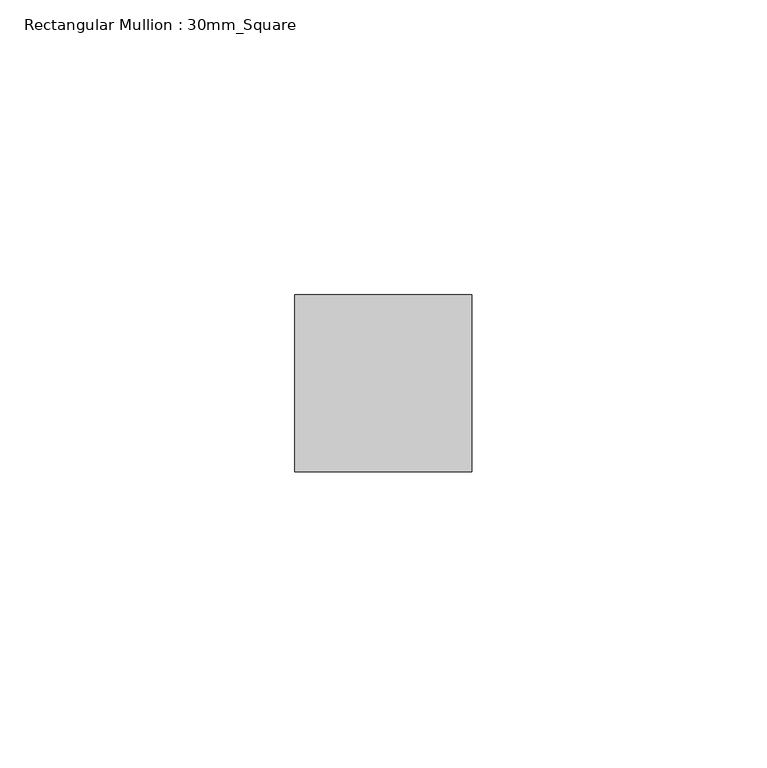
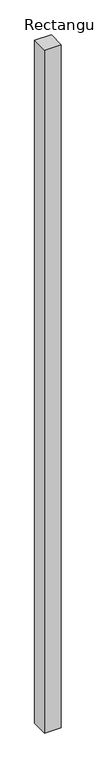
"""IFC4 building model written with IfcOpenShell, lengths in millimetres: member geometry, Rectangular Mullion : 30mm_Square."""

import ifcopenshell
import ifcopenshell.guid

model = None  # the IFC model being written
_history = None  # IfcOwnerHistory: only IFC2X3 demands one
_inside = {}  # id of a spatial element -> (the spatial element, [elements in it])
_under = {}  # id of a project, library or spatial element -> (it, [spatial elements below it])
_declared = {}  # id of a project -> (the project, [libraries it declares])
_typed = {}  # id of a type object -> (the type object, [elements of that type])
_made_of = {}  # id of a material, layer set ... -> (it, [elements and type objects made of it])


def new_model(schema):
    """Start an empty IFC model of exactly this schema.

    Asked for "IFC4X3", IfcOpenShell would pick the latest addendum, in which some entities
    have other attributes; the version numbers below select the first issue.
    IFC2X3 requires an IfcOwnerHistory on every rooted entity: one is made here for all.
    """
    global model, _history
    if schema == "IFC4X3":
        model = ifcopenshell.file(schema_version=(4, 3, 0, 0))
    else:
        model = ifcopenshell.file(schema=schema)
    _inside.clear()
    _under.clear()
    _declared.clear()
    _typed.clear()
    _made_of.clear()
    _history = None
    if model.schema == "IFC2X3":
        org = make("IfcOrganization", Name="unknown")
        user = make(
            "IfcPersonAndOrganization",
            ThePerson=make("IfcPerson", FamilyName="unknown"),
            TheOrganization=org,
        )
        app = make(
            "IfcApplication",
            ApplicationDeveloper=org,
            Version="unknown",
            ApplicationFullName="unknown",
            ApplicationIdentifier="unknown",
        )
        _history = make(
            "IfcOwnerHistory",
            OwningUser=user,
            OwningApplication=app,
            ChangeAction="ADDED",
            CreationDate=0,
        )
    return model


def make(cls, **values):
    """One entity of the class cls with the attributes given. An attribute that is None is left unset."""
    return model.create_entity(
        cls, **{name: value for name, value in values.items() if value is not None}
    )


def rooted(cls, **values):
    """An entity with a GlobalId (a new one), such as an element, a storey or a relation."""
    return make(cls, GlobalId=ifcopenshell.guid.new(), OwnerHistory=_history, **values)


def si_unit(unit_type, name, prefix=None):
    """IfcSIUnit, for example si_unit("LENGTHUNIT", "METRE", prefix="MILLI")."""
    return make("IfcSIUnit", UnitType=unit_type, Prefix=prefix, Name=name)


def assignment(units):
    """IfcUnitAssignment: the units of a project."""
    return None if units is None else make("IfcUnitAssignment", Units=units)


def point(xyz):
    """IfcCartesianPoint."""
    return None if xyz is None else make("IfcCartesianPoint", Coordinates=xyz)


def direction(xyz):
    """IfcDirection."""
    return None if xyz is None else make("IfcDirection", DirectionRatios=xyz)


def frame(location, z_axis=None, x_axis=None):
    """IfcAxis2Placement3D, a coordinate frame: its origin and axes. An axis left out is left unset."""
    return make(
        "IfcAxis2Placement3D",
        Location=point(location),
        Axis=direction(z_axis),
        RefDirection=direction(x_axis),
    )


def origin():
    """The frame at (0, 0, 0) with its axes left unset."""
    return frame((0.0, 0.0, 0.0))


def place(relative_to, where):
    """IfcLocalPlacement: puts the frame where relative to a parent placement (None: the world)."""
    return make(
        "IfcLocalPlacement", PlacementRelTo=relative_to, RelativePlacement=where
    )


def context(
    kind, dimensions, precision=None, world=None, true_north=None, identifier=None
):
    """IfcGeometricRepresentationContext, for example the 3D "Model" context."""
    return make(
        "IfcGeometricRepresentationContext",
        ContextIdentifier=identifier,
        ContextType=kind,
        CoordinateSpaceDimension=dimensions,
        Precision=precision,
        WorldCoordinateSystem=world,
        TrueNorth=true_north,
    )


def project(units=None, contexts=None):
    """IfcProject with its units and contexts."""
    return rooted(
        "IfcProject",
        Name="project",
        RepresentationContexts=contexts,
        UnitsInContext=assignment(units),
    )


def spatial(cls, under=None, at=None, **own):
    """A site, building, storey or space (cls), placed at a placement, below another one or the project."""
    s = rooted(cls, ObjectPlacement=at, **own)
    if under is not None:
        _under.setdefault(under.id(), (under, []))[1].append(s)
    return s


def polyline(points):
    """IfcPolyline through the points."""
    return make("IfcPolyline", Points=[point(p) for p in points])


def outline(outer, holes=None, kind="AREA"):
    """IfcArbitraryClosedProfileDef: a profile drawn as a closed curve; with holes, ...WithVoids."""
    if holes is None:
        return make("IfcArbitraryClosedProfileDef", ProfileType=kind, OuterCurve=outer)
    return make(
        "IfcArbitraryProfileDefWithVoids",
        ProfileType=kind,
        OuterCurve=outer,
        InnerCurves=holes,
    )


def extrude(swept, where, along, depth):
    """IfcExtrudedAreaSolid: the profile swept, set in the frame where, extruded along a direction by depth."""
    return make(
        "IfcExtrudedAreaSolid",
        SweptArea=swept,
        Position=where,
        ExtrudedDirection=direction(along),
        Depth=depth,
    )


def shape(context_of_items, identifier, shape_type, items):
    """IfcShapeRepresentation: the items that make up one representation, for example the "Body"."""
    return make(
        "IfcShapeRepresentation",
        ContextOfItems=context_of_items,
        RepresentationIdentifier=identifier,
        RepresentationType=shape_type,
        Items=items,
    )


def source(mapping_origin, context_of_items, identifier, shape_type, items):
    """IfcRepresentationMap: a shape defined once, which mapped items show again and again."""
    return make(
        "IfcRepresentationMap",
        MappingOrigin=mapping_origin,
        MappedRepresentation=shape(context_of_items, identifier, shape_type, items),
    )


def transform(
    local_origin,
    x_axis=None,
    y_axis=None,
    z_axis=None,
    scale=None,
    scale2=None,
    scale3=None,
    uniform=True,
):
    """IfcCartesianTransformationOperator3D, or its non-uniform kind. x_axis, y_axis, z_axis: its Axis1, 2, 3."""
    if uniform:
        return make(
            "IfcCartesianTransformationOperator3D",
            Axis1=direction(x_axis),
            Axis2=direction(y_axis),
            LocalOrigin=point(local_origin),
            Scale=scale,
            Axis3=direction(z_axis),
        )
    return make(
        "IfcCartesianTransformationOperator3DnonUniform",
        Axis1=direction(x_axis),
        Axis2=direction(y_axis),
        LocalOrigin=point(local_origin),
        Scale=scale,
        Axis3=direction(z_axis),
        Scale2=scale2,
        Scale3=scale3,
    )


def mapped(mapping_source, mapping_target):
    """IfcMappedItem: shows the shape of a source again, moved by a transform."""
    return make(
        "IfcMappedItem", MappingSource=mapping_source, MappingTarget=mapping_target
    )


def made_of(thing, what):
    """Note that an element or type object is made of a material, layer set ...; save() writes the relation."""
    if what is not None:
        _made_of.setdefault(what.id(), (what, []))[1].append(thing)
    return thing


def element(
    cls,
    number,
    at=None,
    inside=None,
    cuts=None,
    type_object=None,
    material=None,
    context=None,
    identifier="Body",
    shape_type=None,
    held_by="IfcProductDefinitionShape",
    body=None,
    shapes=None,
    **own,
):
    """One element of the class cls, such as IfcWall. Its Tag is "e" and its number.

    at: its placement. inside: the storey or other place that contains it. cuts: it is an
    opening in that element (IfcRelVoidsElement). A single representation is given by context,
    identifier, shape_type and body (its items); several are given by shapes. held_by: the class
    of the entity that holds the representations. save() writes the other relations.
    """
    e = rooted(cls, Tag="e%d" % number, ObjectPlacement=at, **own)
    if body is not None:
        shapes = [shape(context, identifier, shape_type, body)]
    if shapes is not None:
        e.Representation = make(held_by, Representations=shapes)
    if inside is not None:
        _inside.setdefault(inside.id(), (inside, []))[1].append(e)
    if cuts is not None:
        rooted(
            "IfcRelVoidsElement", RelatingBuildingElement=cuts, RelatedOpeningElement=e
        )
    if type_object is not None:
        _typed.setdefault(type_object.id(), (type_object, []))[1].append(e)
    return made_of(e, material)


def aggregate(whole, parts):
    """IfcRelAggregates: a whole, such as a stair, and the parts it consists of."""
    return rooted("IfcRelAggregates", RelatingObject=whole, RelatedObjects=parts)


def save(model, path):
    """Write the relations noted so far, then the file.

    IfcRelAggregates (storeys below a building ...), IfcRelContainedInSpatialStructure (elements
    in a storey), IfcRelDefinesByType, IfcRelAssociatesMaterial and IfcRelDeclares: one each for
    every whole, place, type object, material and project.
    """
    for whole, parts in _under.values():
        aggregate(whole, parts)
    for where, things in _inside.values():
        rooted(
            "IfcRelContainedInSpatialStructure",
            RelatedElements=things,
            RelatingStructure=where,
        )
    for kind, things in _typed.values():
        rooted("IfcRelDefinesByType", RelatedObjects=things, RelatingType=kind)
    for what, things in _made_of.values():
        rooted("IfcRelAssociatesMaterial", RelatedObjects=things, RelatingMaterial=what)
    for by, libraries in _declared.values():
        rooted("IfcRelDeclares", RelatingContext=by, RelatedDefinitions=libraries)
    model.write(path)


def rectangular_mullion_30mm_square_f3cdce52(model_context):
    return source(origin(), model_context, "Body", "SweptSolid", [
        extrude(outline(polyline([(15.0, 15.0), (15.0, -15.0), (-15.0, -15.0), (-15.0, 15.0), (15.0, 15.0)])), frame((0.0, 0.0, -1288.0), z_axis=(0.0, 0.0, 1.0), x_axis=(1.0, 0.0, 0.0)), (0.0, 0.0, 1.0), 1288.0),
    ])


if __name__ == "__main__":
    model = new_model("IFC4")
    model_context = context("Model", 3, world=origin())
    ifc_project = project(units=[si_unit("LENGTHUNIT", "METRE", prefix="MILLI")], contexts=[model_context])
    site = spatial("IfcSite", under=ifc_project)
    building = spatial("IfcBuilding", under=site)
    placement = place(None, origin())
    rectangular_mullion_30mm_square_shape = rectangular_mullion_30mm_square_f3cdce52(model_context)
    element("IfcMember", 1, ObjectType="Rectangular Mullion : 30mm_Square", at=placement, inside=building, context=model_context, shape_type="MappedRepresentation", body=[
        mapped(rectangular_mullion_30mm_square_shape, transform((0.0, 0.0, 0.0), x_axis=(1.0, 0.0, 0.0), y_axis=(0.0, 1.0, 0.0), z_axis=(0.0, 0.0, 1.0))),
    ])
    save(model, "model.ifc")
